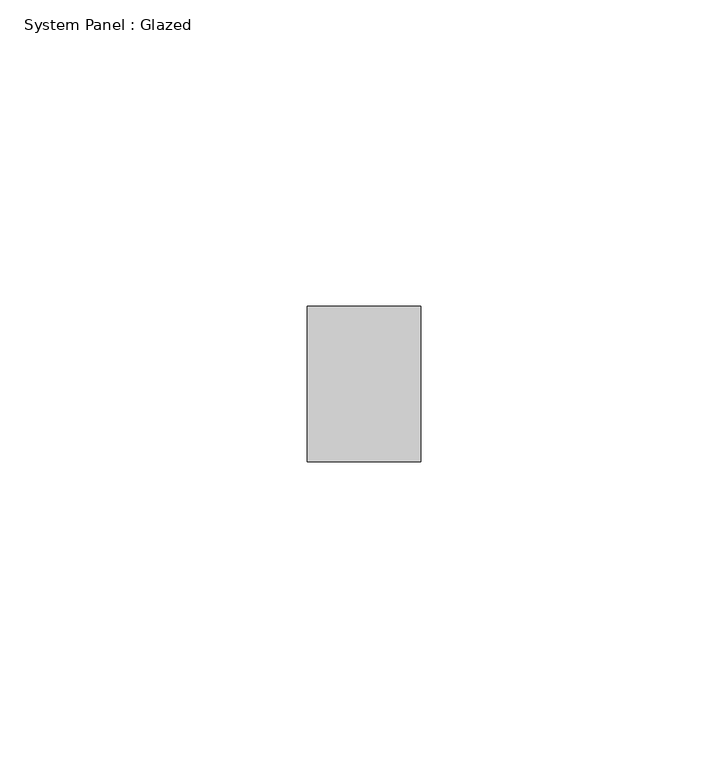
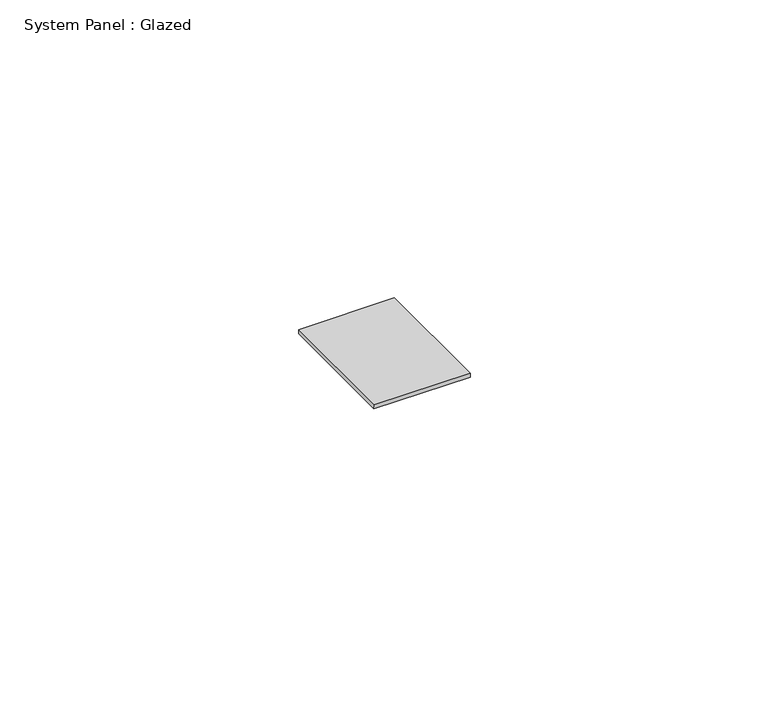
"""IFC4 building model written with IfcOpenShell, lengths in millimetres: plate geometry, System Panel : Glazed."""

from ifc_helpers import new_model, si_unit, origin, place, context, project, spatial, faceted_brep, source, transform, mapped, element, save


def system_panel_glazed_0971c59f(model_context):
    return source(origin(), model_context, "Body", "Brep", [
        faceted_brep([(-9.3362206, -12.7, 0.0), (9.3362206, -12.7, 0.0), (9.3362206, -12.7, 0.7941147), (-9.20199, -12.7, 0.7941147), (-9.20199, 12.7, 0.0), (-9.20199, 12.7, 0.7941147), (9.3362206, 12.7, 0.7941147), (9.3362206, 12.7, 0.0)], [[[0, 1, 2, 3]], [[4, 5, 6, 7]], [[1, 0, 4, 7]], [[2, 1, 7, 6]], [[3, 2, 6, 5]], [[0, 3, 5, 4]]]),
    ])


if __name__ == "__main__":
    model = new_model("IFC4")
    model_context = context("Model", 3, world=origin())
    ifc_project = project(units=[si_unit("LENGTHUNIT", "METRE", prefix="MILLI")], contexts=[model_context])
    site = spatial("IfcSite", under=ifc_project)
    building = spatial("IfcBuilding", under=site)
    placement = place(None, origin())
    system_panel_glazed_shape = system_panel_glazed_0971c59f(model_context)
    element("IfcPlate", 1, ObjectType="System Panel : Glazed", at=placement, inside=building, context=model_context, shape_type="MappedRepresentation", body=[
        mapped(system_panel_glazed_shape, transform((0.0, 0.0, 0.0), x_axis=(1.0, 0.0, 0.0), y_axis=(0.0, 1.0, 0.0), z_axis=(0.0, 0.0, 1.0))),
    ])
    save(model, "model.ifc")
